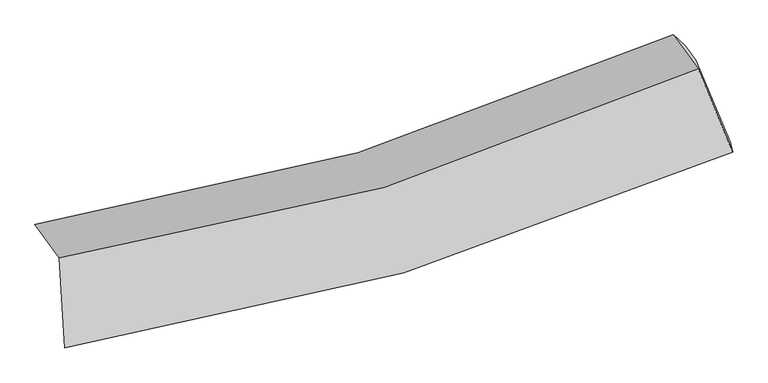
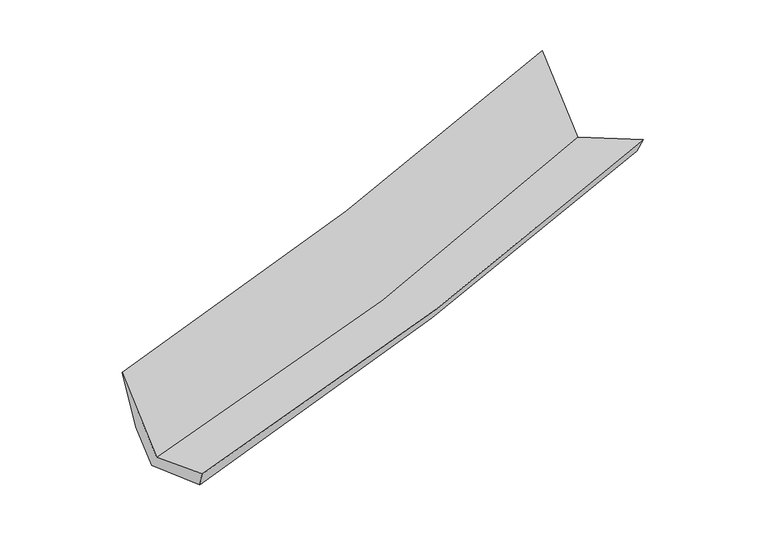
"""IFC4 building model written with IfcOpenShell, lengths in millimetres: proxy geometry."""

from ifc_helpers import new_model, si_unit, frame, origin, place, context, project, spatial, source, transform, mapped, element, save
from ifc_brep_helpers import plane_surface, spline_curve, spline_surface, advanced_brep


def generic_models_9f9a080c(model_context):
    return source(origin(), model_context, "Body", "AdvancedBrep", [
        advanced_brep(
        [(-2308.6965864, -2165.3966087, 1440.7241238), (-2270.3878262, -2810.2413377, 1661.1875542), (2507.7207715, -1407.0270457, 2323.6789626), (2261.1187302, -813.0136533, 2069.6822454), (-2483.2619058, -1928.0550819, 2165.2697462), (2082.3659111, -569.9787416, 2811.6083794), (-2372.7268405, -1953.9891795, 1626.8804875), (2167.7866795, -647.6361018, 2267.0502405), (-2293.5929889, -2061.5807057, 1298.429877), (2243.48801, -750.5607228, 1952.8465498), (-2248.5317155, -2735.0723422, 1503.3281269), (2489.2193142, -1336.8401295, 2178.1146439)],
        [
            (0, 1),
            (1, 2, spline_curve(3, [(-2270.3878262, -2810.2413377, 1661.1875542), (-1449.090869722, -2685.254714756, 1817.734996036), (-640.629382101, -2505.988090332, 1951.186128695), (952.121902912, -2038.454752029, 2172.103723565), (1736.363281122, -1749.983279137, 2259.483060649), (2507.7207715, -1407.0270457, 2323.6789626)], [4, 2, 4], [0.0, 8.081852451582852, 16.178934040598037])),
            (2, 3),
            (3, 0, spline_curve(3, [(2261.1187302, -813.0136533, 2069.6822454), (1527.229166401, -1152.911653029, 2006.858715379), (779.094583676, -1435.611525453, 1922.96462233), (-744.230722538, -1886.190887588, 1713.232729892), (-1519.367912108, -2054.285333803, 1587.474115596), (-2308.6965864, -2165.3966087, 1440.7241238)], [4, 2, 4], [0.0, 8.097081589015184, 16.178934040598037])),
            (4, 0),
            (3, 5),
            (5, 4, spline_curve(3, [(2082.3659111, -569.9787416, 2811.6083794), (1344.80109679, -904.879817552, 2764.039235189), (595.180233893, -1185.558922261, 2686.314051878), (-926.741012788, -1638.047264269, 2470.754511276), (-1698.996088951, -1810.060272956, 2333.033483691), (-2483.2619058, -1928.0550819, 2165.2697462)], [4, 2, 4], [0.0, 7.92067455379219, 15.826451759692997])),
            (6, 4),
            (5, 7),
            (7, 6, spline_curve(3, [(2167.7866795, -647.6361018, 2267.0502405), (1432.165873697, -964.820866941, 2203.131795843), (685.612900194, -1232.331764152, 2117.754698602), (-827.932690646, -1667.596110825, 1904.284137009), (-1594.884223739, -1835.536239505, 1776.271316884), (-2372.7268405, -1953.9891795, 1626.8804875)], [4, 2, 4], [0.0, 7.8854810943531755, 15.756131033309712])),
            (8, 6),
            (7, 9),
            (9, 8, spline_curve(3, [(2243.48801, -750.5607228, 1952.8465498), (1510.045155857, -1070.706662271, 1879.888364036), (764.866715146, -1340.086394437, 1788.806171488), (-747.53772116, -1776.902270894, 1570.599168508), (-1514.719613599, -1944.529199962, 1443.542470449), (-2293.5929889, -2061.5807057, 1298.429877)], [4, 2, 4], [0.0, 7.850165806474571, 15.685566879184378])),
            (10, 8),
            (9, 11),
            (11, 10, spline_curve(3, [(2489.2193142, -1336.8401295, 2178.1146439), (1721.444076996, -1671.729508394, 2119.152915496), (942.361604237, -1955.755395186, 2033.361680005), (-636.931232586, -2421.641649566, 1808.332012925), (-1437.099103108, -2603.693166851, 1669.194409624), (-2248.5317155, -2735.0723422, 1503.3281269)], [4, 2, 4], [0.0, 8.029787842566959, 16.04447311499645])),
            (1, 10),
            (11, 2),
        ],
        [
            spline_surface(3, 3, [[(-2308.6965864, -2165.3966087, 1440.7241238), (-1519.367912112, -2054.285333803, 1587.474115698), (-744.230722619, -1886.190887644, 1713.232729886), (779.094583756, -1435.611525397, 1922.964622336), (1527.229166487, -1152.911653063, 2006.858715358), (2261.1187302, -813.0136533, 2069.6822454)], [(-2295.926999668, -2380.344851699, 1514.211933944), (-1495.942231288, -2264.608460783, 1664.227742487), (-709.696942402, -2092.789955175, 1792.550529464), (836.770356786, -1636.559267609, 2006.010989459), (1596.940538026, -1351.935528439, 2091.066830443), (2343.319410636, -1011.018117443, 2154.347817798)], [(-2283.157412932, -2595.293094701, 1587.699744056), (-1472.51655046, -2474.931587765, 1740.981369245), (-675.163162218, -2299.389022752, 1871.86832901), (894.446129782, -1837.507009867, 2089.05735655), (1666.651909556, -1550.959403787, 2175.274945535), (2425.520091064, -1209.022581557, 2239.013390202)], [(-2270.3878262, -2810.2413377, 1661.1875542), (-1449.090869636, -2685.254714745, 1817.734996033), (-640.629382001, -2505.988090283, 1951.186128587), (952.121902812, -2038.454752079, 2172.103723673), (1736.363281094, -1749.983279162, 2259.48306062), (2507.7207715, -1407.0270457, 2323.6789626)]], [4, 4], [4, 2, 4], [0.0, 2.2061342826370485], [0.0, 8.081852451582852, 16.178934040598037]),
            spline_surface(3, 3, [[(-2483.2619058, -1928.0550819, 2165.2697462), (-1698.996088971, -1810.060272961, 2333.033483673), (-926.741012838, -1638.047264228, 2470.754511359), (595.180233943, -1185.558922302, 2686.314051795), (1344.801096787, -904.879817626, 2764.039235179), (2082.3659111, -569.9787416, 2811.6083794)], [(-2425.073465982, -2007.168924137, 1923.75453871), (-1639.12003, -1891.468626545, 2084.513694325), (-865.904249461, -1720.761805383, 2218.247250877), (656.485017185, -1268.909790017, 2431.864241984), (1405.610453365, -987.5570961, 2511.645728546), (2141.950184144, -650.990378829, 2564.29966804)], [(-2366.885026218, -2086.282766463, 1682.23933129), (-1579.243971084, -1972.876980218, 1835.993905046), (-805.067485997, -1803.476346489, 1965.739990369), (717.789800514, -1352.260657683, 2177.414432147), (1466.41980991, -1070.234374589, 2259.252221992), (2201.534457156, -732.002016071, 2316.99095676)], [(-2308.6965864, -2165.3966087, 1440.7241238), (-1519.367912112, -2054.285333803, 1587.474115698), (-744.230722619, -1886.190887644, 1713.232729886), (779.094583756, -1435.611525397, 1922.964622336), (1527.229166487, -1152.911653063, 2006.858715358), (2261.1187302, -813.0136533, 2069.6822454)]], [4, 4], [4, 2, 4], [0.0, 2.693265057547592], [0.0, 7.905777205900807, 15.826451759692997]),
            spline_surface(3, 3, [[(-2372.7268405, -1953.9891795, 1626.8804875), (-1594.884223789, -1835.536239487, 1776.271316762), (-827.932690642, -1667.59611079, 1904.284137109), (685.61290019, -1232.331764187, 2117.754698501), (1432.16587371, -964.820866986, 2203.131795839), (2167.7866795, -647.6361018, 2267.0502405)], [(-2409.571862281, -1945.344480324, 1806.343573751), (-1629.588178864, -1827.044250669, 1961.85870575), (-860.868798032, -1657.746495279, 2093.107595191), (655.468678117, -1216.740816901, 2307.274482931), (1403.044281382, -944.840517213, 2390.100942312), (2139.313090013, -621.75031508, 2448.569620159)], [(-2446.416884019, -1936.699781076, 1985.806659949), (-1664.292133896, -1818.552261779, 2147.446094685), (-893.804905449, -1647.89687974, 2281.931053277), (625.324456016, -1201.149869588, 2496.794267365), (1373.922689114, -924.860167399, 2577.070088707), (2110.839500587, -595.86452832, 2630.088999741)], [(-2483.2619058, -1928.0550819, 2165.2697462), (-1698.996088971, -1810.060272961, 2333.033483673), (-926.741012838, -1638.047264228, 2470.754511359), (595.180233943, -1185.558922302, 2686.314051795), (1344.801096787, -904.879817626, 2764.039235179), (2082.3659111, -569.9787416, 2811.6083794)]], [4, 4], [4, 2, 4], [0.0, 1.8917800827932334], [0.0, 7.870649938956537, 15.756131033309712]),
            spline_surface(3, 3, [[(-2293.5929889, -2061.5807057, 1298.429877), (-1514.719613637, -1944.529199884, 1443.542470478), (-747.537721243, -1776.902270933, 1570.59916863), (764.866715229, -1340.086394398, 1788.806171365), (1510.045155774, -1070.706662354, 1879.888364158), (2243.48801, -750.5607228, 1952.8465498)], [(-2319.970939422, -2025.716863626, 1407.913413824), (-1541.441150344, -1908.198213078, 1554.452085897), (-774.336044358, -1740.466884218, 1681.827491433), (738.4487769, -1304.168184327, 1898.455680387), (1484.085395084, -1035.411397208, 1987.636174706), (2218.254233164, -716.252515777, 2057.581113354)], [(-2346.348889978, -1989.853021574, 1517.396950676), (-1568.162687083, -1871.867226293, 1665.361701343), (-801.134367527, -1704.031497506, 1793.055814306), (712.030838518, -1268.249974259, 2008.105189479), (1458.1256344, -1000.116132132, 2095.383985292), (2193.020456336, -681.944308823, 2162.315676946)], [(-2372.7268405, -1953.9891795, 1626.8804875), (-1594.884223789, -1835.536239487, 1776.271316762), (-827.932690642, -1667.59611079, 1904.284137109), (685.61290019, -1232.331764187, 2117.754698501), (1432.16587371, -964.820866986, 2203.131795839), (2167.7866795, -647.6361018, 2267.0502405)]], [4, 4], [4, 2, 4], [0.0, 1.1734134663450713], [0.0, 7.835401072709807, 15.685566879184378]),
            spline_surface(3, 3, [[(-2248.5317155, -2735.0723422, 1503.3281269), (-1437.099103205, -2603.693166718, 1669.194409682), (-636.931232641, -2421.641649487, 1808.33201299), (942.361604293, -1955.755395265, 2033.36167994), (1721.444076974, -1671.729508282, 2119.152915604), (2489.2193142, -1336.8401295, 2178.1146439)], [(-2263.552139967, -2510.575130028, 1435.02871028), (-1462.972606683, -2383.971844435, 1593.977096627), (-673.80006219, -2206.728523307, 1729.087731544), (883.196641257, -1750.532394981, 1951.843177089), (1650.977769927, -1471.388559659, 2039.398065114), (2407.308879486, -1141.413660619, 2103.025279193)], [(-2278.572564433, -2286.077917872, 1366.72929362), (-1488.84611016, -2164.250522167, 1518.759783533), (-710.668891694, -1991.815397112, 1649.843450076), (824.031678265, -1545.309394682, 1870.324674216), (1580.511462821, -1271.047610977, 1959.643214647), (2325.398444714, -945.987191681, 2027.935914507)], [(-2293.5929889, -2061.5807057, 1298.429877), (-1514.719613637, -1944.529199884, 1443.542470478), (-747.537721243, -1776.902270933, 1570.59916863), (764.866715229, -1340.086394398, 1788.806171365), (1510.045155774, -1070.706662354, 1879.888364158), (2243.48801, -750.5607228, 1952.8465498)]], [4, 4], [4, 2, 4], [0.0, 2.263649184721833], [0.0, 8.01468527242949, 16.04447311499645]),
            spline_surface(3, 3, [[(-2270.3878262, -2810.2413377, 1661.1875542), (-1449.090869636, -2685.254714745, 1817.734996033), (-640.629382001, -2505.988090283, 1951.186128587), (952.121902812, -2038.454752079, 2172.103723673), (1736.363281094, -1749.983279162, 2259.48306062), (2507.7207715, -1407.0270457, 2323.6789626)], [(-2263.10245598, -2785.185005885, 1608.567745091), (-1445.093614173, -2658.067532088, 1768.221467241), (-639.396665543, -2477.872610003, 1903.568090052), (948.868469978, -2010.888299794, 2125.856375759), (1731.390213043, -1723.898688855, 2212.706345638), (2501.553619056, -1383.631406952, 2275.157523056)], [(-2255.81708572, -2760.128674015, 1555.947936009), (-1441.096358669, -2630.880349375, 1718.707938474), (-638.1639491, -2449.757129766, 1855.950051524), (945.615037127, -1983.321847551, 2079.609027853), (1726.417145025, -1697.81409859, 2165.929630586), (2495.386466644, -1360.235768248, 2226.636083444)], [(-2248.5317155, -2735.0723422, 1503.3281269), (-1437.099103205, -2603.693166718, 1669.194409682), (-636.931232641, -2421.641649487, 1808.33201299), (942.361604293, -1955.755395265, 2033.36167994), (1721.444076974, -1671.729508282, 2119.152915604), (2489.2193142, -1336.8401295, 2178.1146439)]], [4, 4], [4, 2, 4], [0.0, 0.5371777019954778], [0.0, 8.226068772931354, 16.467638439082585]),
            plane_surface(frame((2291.9499028, -920.8427325, 2267.1635036), z_axis=(0.9072008473244497, 0.4123268865178533, 0.08350545651808543), x_axis=(-0.22318434786588015, 0.3034446591451856, 0.9263423156176901))),
            plane_surface(frame((-2329.5329772, -2275.7225426, 1615.9699859), z_axis=(-0.9731591719117442, -0.12407738831242933, -0.1938195754654704), x_axis=(-0.05612462019234536, 0.9447360163272194, -0.3229920842101875))),
        ],
        [
            (0, [[1, 2, 3, 4]]),
            (1, [[5, -4, 6, 7]]),
            (2, [[8, -7, 9, 10]]),
            (3, [[11, -10, 12, 13]]),
            (4, [[14, -13, 15, 16]]),
            (5, [[17, -16, 18, -2]]),
            (6, [[-12, -9, -6, -3, -18, -15]]),
            (7, [[-1, -5, -8, -11, -14, -17]]),
        ],
    ),
    ])


if __name__ == "__main__":
    model = new_model("IFC4")
    model_context = context("Model", 3, world=origin())
    ifc_project = project(units=[si_unit("LENGTHUNIT", "METRE", prefix="MILLI")], contexts=[model_context])
    site = spatial("IfcSite", under=ifc_project)
    building = spatial("IfcBuilding", under=site)
    placement = place(None, origin())
    generic_models_shape = generic_models_9f9a080c(model_context)
    element("IfcBuildingElementProxy", 1, Name="Generic Models", at=placement, inside=building, context=model_context, shape_type="MappedRepresentation", body=[
        mapped(generic_models_shape, transform((0.0, 0.0, 0.0), x_axis=(1.0, 0.0, 0.0), y_axis=(0.0, 1.0, 0.0), z_axis=(0.0, 0.0, 1.0))),
    ])
    save(model, "model.ifc")
